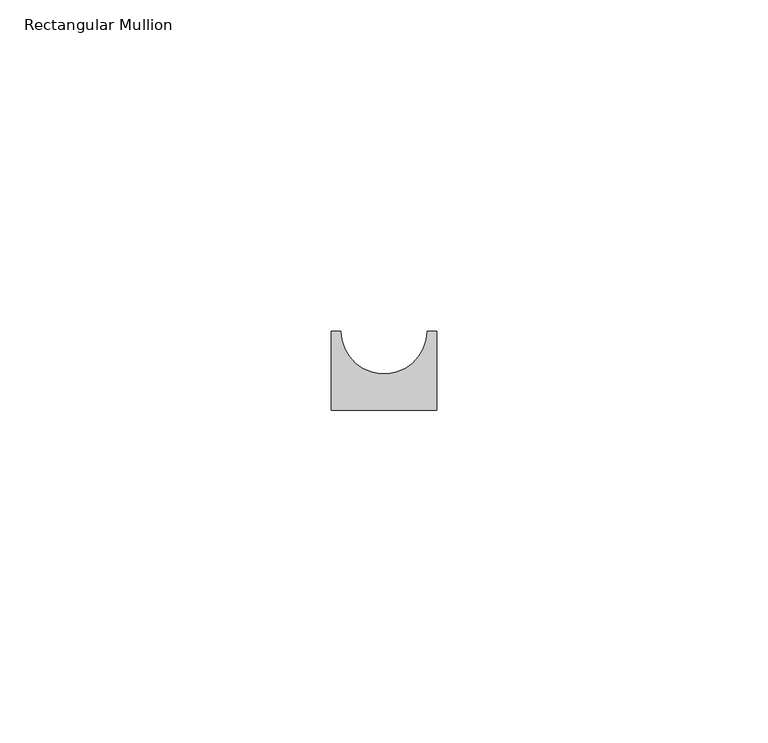
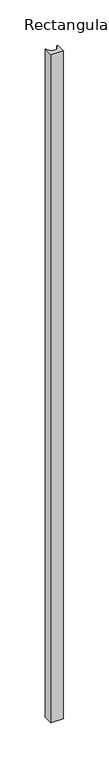
"""IFC4 building model written with IfcOpenShell, lengths in millimetres: member geometry, Rectangular Mullion."""

import ifcopenshell
import ifcopenshell.guid

model = None  # the IFC model being written
_history = None  # IfcOwnerHistory: only IFC2X3 demands one
_inside = {}  # id of a spatial element -> (the spatial element, [elements in it])
_under = {}  # id of a project, library or spatial element -> (it, [spatial elements below it])
_declared = {}  # id of a project -> (the project, [libraries it declares])
_typed = {}  # id of a type object -> (the type object, [elements of that type])
_made_of = {}  # id of a material, layer set ... -> (it, [elements and type objects made of it])


def new_model(schema):
    """Start an empty IFC model of exactly this schema.

    Asked for "IFC4X3", IfcOpenShell would pick the latest addendum, in which some entities
    have other attributes; the version numbers below select the first issue.
    IFC2X3 requires an IfcOwnerHistory on every rooted entity: one is made here for all.
    """
    global model, _history
    if schema == "IFC4X3":
        model = ifcopenshell.file(schema_version=(4, 3, 0, 0))
    else:
        model = ifcopenshell.file(schema=schema)
    _inside.clear()
    _under.clear()
    _declared.clear()
    _typed.clear()
    _made_of.clear()
    _history = None
    if model.schema == "IFC2X3":
        org = make("IfcOrganization", Name="unknown")
        user = make(
            "IfcPersonAndOrganization",
            ThePerson=make("IfcPerson", FamilyName="unknown"),
            TheOrganization=org,
        )
        app = make(
            "IfcApplication",
            ApplicationDeveloper=org,
            Version="unknown",
            ApplicationFullName="unknown",
            ApplicationIdentifier="unknown",
        )
        _history = make(
            "IfcOwnerHistory",
            OwningUser=user,
            OwningApplication=app,
            ChangeAction="ADDED",
            CreationDate=0,
        )
    return model


def make(cls, **values):
    """One entity of the class cls with the attributes given. An attribute that is None is left unset."""
    return model.create_entity(
        cls, **{name: value for name, value in values.items() if value is not None}
    )


def rooted(cls, **values):
    """An entity with a GlobalId (a new one), such as an element, a storey or a relation."""
    return make(cls, GlobalId=ifcopenshell.guid.new(), OwnerHistory=_history, **values)


def si_unit(unit_type, name, prefix=None):
    """IfcSIUnit, for example si_unit("LENGTHUNIT", "METRE", prefix="MILLI")."""
    return make("IfcSIUnit", UnitType=unit_type, Prefix=prefix, Name=name)


def assignment(units):
    """IfcUnitAssignment: the units of a project."""
    return None if units is None else make("IfcUnitAssignment", Units=units)


def point(xyz):
    """IfcCartesianPoint."""
    return None if xyz is None else make("IfcCartesianPoint", Coordinates=xyz)


def direction(xyz):
    """IfcDirection."""
    return None if xyz is None else make("IfcDirection", DirectionRatios=xyz)


def frame(location, z_axis=None, x_axis=None):
    """IfcAxis2Placement3D, a coordinate frame: its origin and axes. An axis left out is left unset."""
    return make(
        "IfcAxis2Placement3D",
        Location=point(location),
        Axis=direction(z_axis),
        RefDirection=direction(x_axis),
    )


def frame_2d(location, x_axis=None):
    """IfcAxis2Placement2D, a coordinate frame in the plane: its origin and x axis."""
    return make(
        "IfcAxis2Placement2D", Location=point(location), RefDirection=direction(x_axis)
    )


def origin():
    """The frame at (0, 0, 0) with its axes left unset."""
    return frame((0.0, 0.0, 0.0))


def place(relative_to, where):
    """IfcLocalPlacement: puts the frame where relative to a parent placement (None: the world)."""
    return make(
        "IfcLocalPlacement", PlacementRelTo=relative_to, RelativePlacement=where
    )


def context(
    kind, dimensions, precision=None, world=None, true_north=None, identifier=None
):
    """IfcGeometricRepresentationContext, for example the 3D "Model" context."""
    return make(
        "IfcGeometricRepresentationContext",
        ContextIdentifier=identifier,
        ContextType=kind,
        CoordinateSpaceDimension=dimensions,
        Precision=precision,
        WorldCoordinateSystem=world,
        TrueNorth=true_north,
    )


def project(units=None, contexts=None):
    """IfcProject with its units and contexts."""
    return rooted(
        "IfcProject",
        Name="project",
        RepresentationContexts=contexts,
        UnitsInContext=assignment(units),
    )


def spatial(cls, under=None, at=None, **own):
    """A site, building, storey or space (cls), placed at a placement, below another one or the project."""
    s = rooted(cls, ObjectPlacement=at, **own)
    if under is not None:
        _under.setdefault(under.id(), (under, []))[1].append(s)
    return s


def polyline(points):
    """IfcPolyline through the points."""
    return make("IfcPolyline", Points=[point(p) for p in points])


def circle_curve(where, radius):
    """IfcCircle in the frame where."""
    return make("IfcCircle", Position=where, Radius=radius)


def trimmed(basis, trim1, trim2, sense, master):
    """IfcTrimmedCurve: the piece of a basis curve between two trims."""
    return make(
        "IfcTrimmedCurve",
        BasisCurve=basis,
        Trim1=trim1,
        Trim2=trim2,
        SenseAgreement=sense,
        MasterRepresentation=master,
    )


def segment(curve, same_sense, transition):
    """IfcCompositeCurveSegment."""
    return make(
        "IfcCompositeCurveSegment",
        Transition=transition,
        SameSense=same_sense,
        ParentCurve=curve,
    )


def composite_curve(segments, self_intersect=None):
    """IfcCompositeCurve: segments joined end to end."""
    return make("IfcCompositeCurve", Segments=segments, SelfIntersect=self_intersect)


def outline(outer, holes=None, kind="AREA"):
    """IfcArbitraryClosedProfileDef: a profile drawn as a closed curve; with holes, ...WithVoids."""
    if holes is None:
        return make("IfcArbitraryClosedProfileDef", ProfileType=kind, OuterCurve=outer)
    return make(
        "IfcArbitraryProfileDefWithVoids",
        ProfileType=kind,
        OuterCurve=outer,
        InnerCurves=holes,
    )


def extrude(swept, where, along, depth):
    """IfcExtrudedAreaSolid: the profile swept, set in the frame where, extruded along a direction by depth."""
    return make(
        "IfcExtrudedAreaSolid",
        SweptArea=swept,
        Position=where,
        ExtrudedDirection=direction(along),
        Depth=depth,
    )


def shape(context_of_items, identifier, shape_type, items):
    """IfcShapeRepresentation: the items that make up one representation, for example the "Body"."""
    return make(
        "IfcShapeRepresentation",
        ContextOfItems=context_of_items,
        RepresentationIdentifier=identifier,
        RepresentationType=shape_type,
        Items=items,
    )


def source(mapping_origin, context_of_items, identifier, shape_type, items):
    """IfcRepresentationMap: a shape defined once, which mapped items show again and again."""
    return make(
        "IfcRepresentationMap",
        MappingOrigin=mapping_origin,
        MappedRepresentation=shape(context_of_items, identifier, shape_type, items),
    )


def transform(
    local_origin,
    x_axis=None,
    y_axis=None,
    z_axis=None,
    scale=None,
    scale2=None,
    scale3=None,
    uniform=True,
):
    """IfcCartesianTransformationOperator3D, or its non-uniform kind. x_axis, y_axis, z_axis: its Axis1, 2, 3."""
    if uniform:
        return make(
            "IfcCartesianTransformationOperator3D",
            Axis1=direction(x_axis),
            Axis2=direction(y_axis),
            LocalOrigin=point(local_origin),
            Scale=scale,
            Axis3=direction(z_axis),
        )
    return make(
        "IfcCartesianTransformationOperator3DnonUniform",
        Axis1=direction(x_axis),
        Axis2=direction(y_axis),
        LocalOrigin=point(local_origin),
        Scale=scale,
        Axis3=direction(z_axis),
        Scale2=scale2,
        Scale3=scale3,
    )


def mapped(mapping_source, mapping_target):
    """IfcMappedItem: shows the shape of a source again, moved by a transform."""
    return make(
        "IfcMappedItem", MappingSource=mapping_source, MappingTarget=mapping_target
    )


def made_of(thing, what):
    """Note that an element or type object is made of a material, layer set ...; save() writes the relation."""
    if what is not None:
        _made_of.setdefault(what.id(), (what, []))[1].append(thing)
    return thing


def element(
    cls,
    number,
    at=None,
    inside=None,
    cuts=None,
    type_object=None,
    material=None,
    context=None,
    identifier="Body",
    shape_type=None,
    held_by="IfcProductDefinitionShape",
    body=None,
    shapes=None,
    **own,
):
    """One element of the class cls, such as IfcWall. Its Tag is "e" and its number.

    at: its placement. inside: the storey or other place that contains it. cuts: it is an
    opening in that element (IfcRelVoidsElement). A single representation is given by context,
    identifier, shape_type and body (its items); several are given by shapes. held_by: the class
    of the entity that holds the representations. save() writes the other relations.
    """
    e = rooted(cls, Tag="e%d" % number, ObjectPlacement=at, **own)
    if body is not None:
        shapes = [shape(context, identifier, shape_type, body)]
    if shapes is not None:
        e.Representation = make(held_by, Representations=shapes)
    if inside is not None:
        _inside.setdefault(inside.id(), (inside, []))[1].append(e)
    if cuts is not None:
        rooted(
            "IfcRelVoidsElement", RelatingBuildingElement=cuts, RelatedOpeningElement=e
        )
    if type_object is not None:
        _typed.setdefault(type_object.id(), (type_object, []))[1].append(e)
    return made_of(e, material)


def aggregate(whole, parts):
    """IfcRelAggregates: a whole, such as a stair, and the parts it consists of."""
    return rooted("IfcRelAggregates", RelatingObject=whole, RelatedObjects=parts)


def save(model, path):
    """Write the relations noted so far, then the file.

    IfcRelAggregates (storeys below a building ...), IfcRelContainedInSpatialStructure (elements
    in a storey), IfcRelDefinesByType, IfcRelAssociatesMaterial and IfcRelDeclares: one each for
    every whole, place, type object, material and project.
    """
    for whole, parts in _under.values():
        aggregate(whole, parts)
    for where, things in _inside.values():
        rooted(
            "IfcRelContainedInSpatialStructure",
            RelatedElements=things,
            RelatingStructure=where,
        )
    for kind, things in _typed.values():
        rooted("IfcRelDefinesByType", RelatedObjects=things, RelatingType=kind)
    for what, things in _made_of.values():
        rooted("IfcRelAssociatesMaterial", RelatedObjects=things, RelatingMaterial=what)
    for by, libraries in _declared.values():
        rooted("IfcRelDeclares", RelatingContext=by, RelatedDefinitions=libraries)
    model.write(path)


def rectangular_mullion_f79d2b32(model_context):
    return source(origin(), model_context, "Body", "SweptSolid", [
        extrude(outline(composite_curve([segment(polyline([(8.0, 0.0), (-8.0, 0.0), (-8.0, 12.0), (-6.5, 12.0)]), True, "CONTINUOUS"), segment(trimmed(circle_curve(frame_2d((0.0, 12.0)), 6.5), [point((-6.5, 12.0))], [point((6.5, 12.0))], True, "CARTESIAN"), True, "CONTINUOUS"), segment(polyline([(6.5, 12.0), (8.0, 12.0), (8.0, 0.0)]), True, "CONTINUOUS")], self_intersect=False)), frame((0.0, 0.0, -900.0), z_axis=(0.0, 0.0, 1.0), x_axis=(1.0, 0.0, 0.0)), (0.0, 0.0, 1.0), 900.0),
    ])


if __name__ == "__main__":
    model = new_model("IFC4")
    model_context = context("Model", 3, world=origin())
    ifc_project = project(units=[si_unit("LENGTHUNIT", "METRE", prefix="MILLI")], contexts=[model_context])
    site = spatial("IfcSite", under=ifc_project)
    building = spatial("IfcBuilding", under=site)
    placement = place(None, origin())
    rectangular_mullion_shape = rectangular_mullion_f79d2b32(model_context)
    element("IfcMember", 1, ObjectType="Rectangular Mullion", at=placement, inside=building, context=model_context, shape_type="MappedRepresentation", body=[
        mapped(rectangular_mullion_shape, transform((0.0, 0.0, 0.0), x_axis=(1.0, 0.0, 0.0), y_axis=(0.0, 1.0, 0.0), z_axis=(0.0, 0.0, 1.0))),
    ])
    save(model, "model.ifc")
